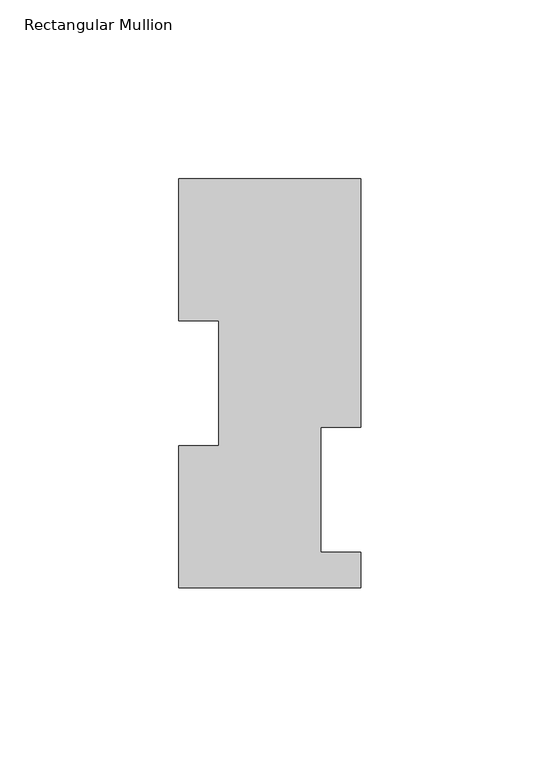
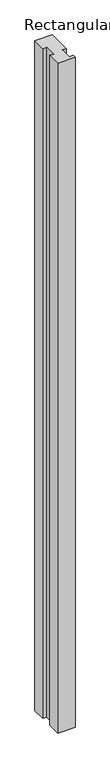
"""IFC4 building model written with IfcOpenShell, lengths in millimetres: member geometry, Rectangular Mullion."""

from ifc_helpers import new_model, si_unit, frame, origin, place, context, project, spatial, polyline, outline, extrude, source, transform, mapped, element, save


def rectangular_mullion_ef03348c(model_context):
    return source(origin(), model_context, "Body", "SweptSolid", [
        extrude(outline(polyline([(-25.4, 114.0729875), (25.4, 114.0729875), (25.4, 44.6039875), (14.2875, 44.6039875), (14.2875, 9.6789875), (25.4, 9.6789875), (25.4, -0.2270125), (-25.4, -0.2270125), (-25.4, 39.4477875), (-14.2875, 39.4477875), (-14.2875, 74.3981875), (-25.4, 74.3981875), (-25.4, 114.0729875)])), frame((0.0, 0.0, -2060.575), z_axis=(0.0, 0.0, 1.0), x_axis=(1.0, 0.0, 0.0)), (0.0, 0.0, 1.0), 2060.575),
    ])


if __name__ == "__main__":
    model = new_model("IFC4")
    model_context = context("Model", 3, world=origin())
    ifc_project = project(units=[si_unit("LENGTHUNIT", "METRE", prefix="MILLI")], contexts=[model_context])
    site = spatial("IfcSite", under=ifc_project)
    building = spatial("IfcBuilding", under=site)
    placement = place(None, origin())
    rectangular_mullion_shape = rectangular_mullion_ef03348c(model_context)
    element("IfcMember", 1, ObjectType="Rectangular Mullion", at=placement, inside=building, context=model_context, shape_type="MappedRepresentation", body=[
        mapped(rectangular_mullion_shape, transform((0.0, 0.0, 0.0), x_axis=(1.0, 0.0, 0.0), y_axis=(0.0, 1.0, 0.0), z_axis=(0.0, 0.0, 1.0))),
    ])
    save(model, "model.ifc")
